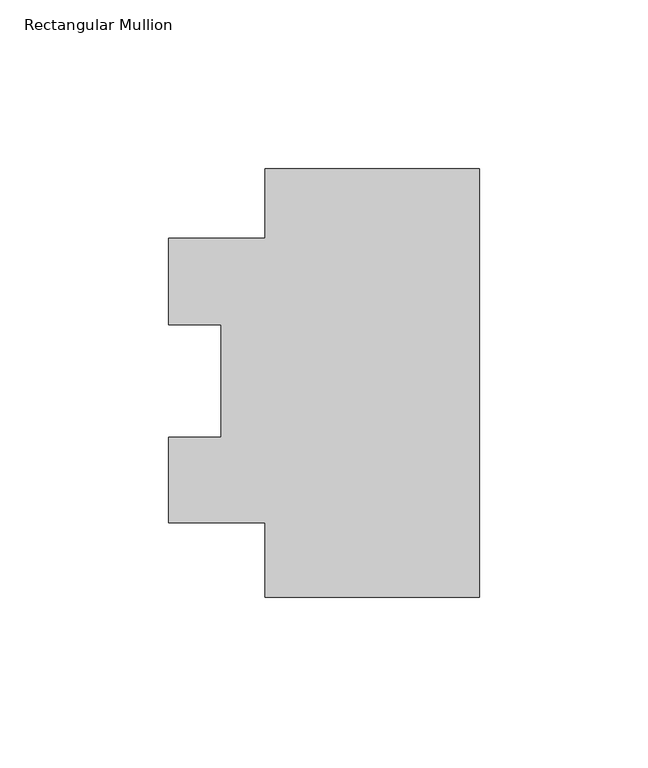
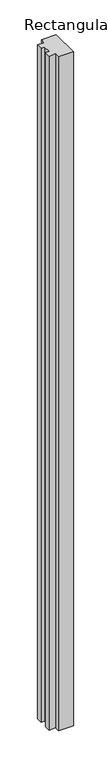
"""IFC4 building model written with IfcOpenShell, lengths in millimetres: member geometry, Rectangular Mullion."""

from ifc_helpers import new_model, si_unit, frame, origin, place, context, project, spatial, polyline, outline, extrude, source, transform, mapped, element, save


def rectangular_mullion_6109bf2b(model_context):
    return source(origin(), model_context, "Body", "SweptSolid", [
        extrude(outline(polyline([(0.0, -127.0), (-63.5, -127.0), (-63.5, -104.8766), (-92.075, -104.8766), (-92.075, -79.4766), (-76.454, -79.4766), (-76.454, -46.1812654), (-92.075, -46.1812654), (-92.075, -20.5486), (-63.5, -20.5486), (-63.5, 0.0), (0.0, 0.0), (0.0, -127.0)])), frame((0.0, 0.0, -3048.0), z_axis=(0.0, 0.0, 1.0), x_axis=(1.0, 0.0, 0.0)), (0.0, 0.0, 1.0), 3048.0),
    ])


if __name__ == "__main__":
    model = new_model("IFC4")
    model_context = context("Model", 3, world=origin())
    ifc_project = project(units=[si_unit("LENGTHUNIT", "METRE", prefix="MILLI")], contexts=[model_context])
    site = spatial("IfcSite", under=ifc_project)
    building = spatial("IfcBuilding", under=site)
    placement = place(None, origin())
    rectangular_mullion_shape = rectangular_mullion_6109bf2b(model_context)
    element("IfcMember", 1, ObjectType="Rectangular Mullion", at=placement, inside=building, context=model_context, shape_type="MappedRepresentation", body=[
        mapped(rectangular_mullion_shape, transform((0.0, 0.0, 0.0), x_axis=(1.0, 0.0, 0.0), y_axis=(0.0, 1.0, 0.0), z_axis=(0.0, 0.0, 1.0))),
    ])
    save(model, "model.ifc")
